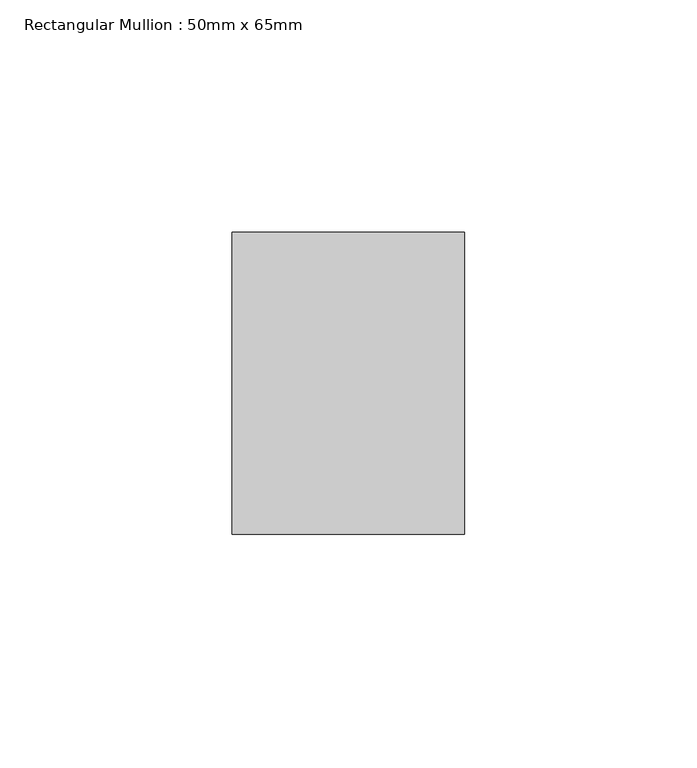
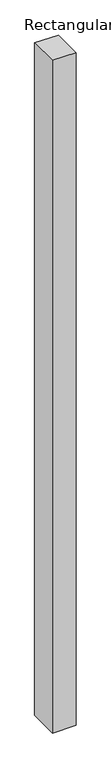
"""IFC4 building model written with IfcOpenShell, lengths in millimetres: member geometry, Rectangular Mullion : 50mm x 65mm."""

from ifc_helpers import new_model, si_unit, origin, place, context, project, spatial, faceted_brep, source, transform, mapped, element, save


def rectangular_mullion_50mm_x_65mm_cfb7891a(model_context):
    return source(origin(), model_context, "Body", "Brep", [
        faceted_brep([(-25.0, 32.5, -0.2664476), (25.0, 32.5, -0.266449), (25.0, 32.5, -1499.6460792), (-25.0, 32.5, -1499.6460811), (-25.0, -32.5, 0.266449), (-25.0, -32.5, -1500.3534228), (25.0, -32.5, 0.2664476), (25.0, -32.5, -1500.353421)], [[[0, 1, 2, 3]], [[4, 0, 3, 5]], [[6, 4, 5, 7]], [[1, 6, 7, 2]], [[1, 0, 4, 6]], [[2, 7, 5, 3]]]),
    ])


if __name__ == "__main__":
    model = new_model("IFC4")
    model_context = context("Model", 3, world=origin())
    ifc_project = project(units=[si_unit("LENGTHUNIT", "METRE", prefix="MILLI")], contexts=[model_context])
    site = spatial("IfcSite", under=ifc_project)
    building = spatial("IfcBuilding", under=site)
    placement = place(None, origin())
    rectangular_mullion_50mm_x_65mm_shape = rectangular_mullion_50mm_x_65mm_cfb7891a(model_context)
    element("IfcMember", 1, ObjectType="Rectangular Mullion : 50mm x 65mm", at=placement, inside=building, context=model_context, shape_type="MappedRepresentation", body=[
        mapped(rectangular_mullion_50mm_x_65mm_shape, transform((0.0, 0.0, 0.0), x_axis=(1.0, 0.0, 0.0), y_axis=(0.0, 1.0, 0.0), z_axis=(0.0, 0.0, 1.0))),
    ])
    save(model, "model.ifc")
